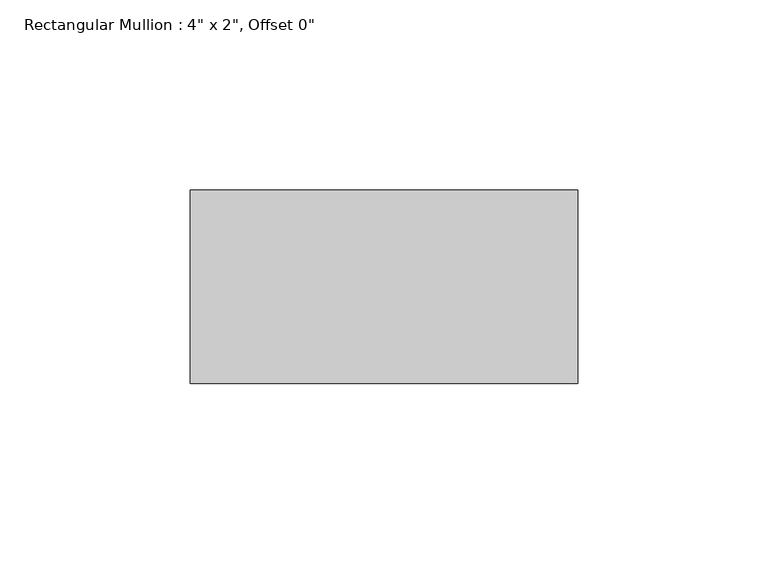
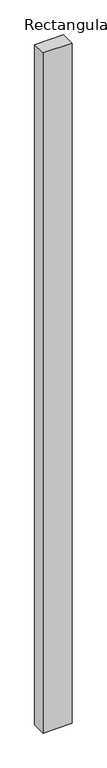
"""IFC4 building model written with IfcOpenShell, lengths in millimetres: member geometry."""

from ifc_helpers import new_model, si_unit, frame, origin, place, context, project, spatial, polyline, outline, extrude, source, transform, mapped, element, save


def member_fbe3c5e7(model_context):
    return source(origin(), model_context, "Body", "SweptSolid", [
        extrude(outline(polyline([(0.0, 25.4), (0.0, -25.4), (-101.6, -25.4), (-101.6, 25.4), (0.0, 25.4)])), frame((0.0, 0.0, -2520.95), z_axis=(0.0, 0.0, 1.0), x_axis=(1.0, 0.0, 0.0)), (0.0, 0.0, 1.0), 2520.95),
    ])


if __name__ == "__main__":
    model = new_model("IFC4")
    model_context = context("Model", 3, world=origin())
    ifc_project = project(units=[si_unit("LENGTHUNIT", "METRE", prefix="MILLI")], contexts=[model_context])
    site = spatial("IfcSite", under=ifc_project)
    building = spatial("IfcBuilding", under=site)
    placement = place(None, origin())
    member_shape = member_fbe3c5e7(model_context)
    element("IfcMember", 1, ObjectType="Rectangular Mullion : 4\" x 2\", Offset 0\"", at=placement, inside=building, context=model_context, shape_type="MappedRepresentation", body=[
        mapped(member_shape, transform((0.0, 0.0, 0.0), x_axis=(1.0, 0.0, 0.0), y_axis=(0.0, 1.0, 0.0), z_axis=(0.0, 0.0, 1.0))),
    ])
    save(model, "model.ifc")
